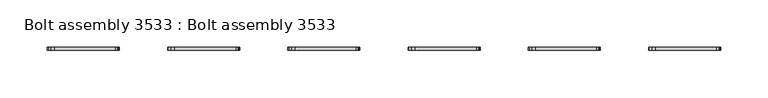
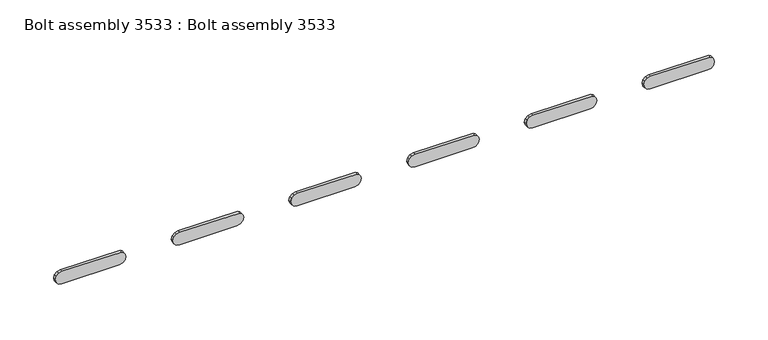
"""IFC4 building model written with IfcOpenShell, lengths in millimetres: proxy geometry, Bolt assembly 3533 : Bolt assembly 3533."""

from ifc_helpers import new_model, si_unit, frame, origin, place, context, project, spatial, polyline, outline, extrude, source, transform, mapped, element, save


def bolt_assembly_3533_bolt_assembly_3533_df643900(model_context):
    return source(origin(), model_context, "Body", "SweptSolid", [
        extrude(outline(polyline([(-70.2907284, 964.6561192), (-67.9727236, 963.1072779), (-66.4238823, 960.789273), (-65.8800015, 896.1450001), (-66.83725, 892.5725001), (-69.4525015, 889.9572486), (-73.0250015, 889.0000001), (-76.5975015, 889.9572486), (-79.212753, 892.5725001), (-80.1700015, 896.1450001), (-80.1700015, 958.0549999), (-79.212753, 961.6274999), (-76.5975015, 964.2427514), (-73.0250015, 965.1999999), (-70.2907284, 964.6561192)])), frame((0.0, 822.3249992, 0.0), z_axis=(0.0, 1.0, 0.0), x_axis=(0.0, 0.0, 1.0)), (0.0, 0.0, 1.0), 3.275),
        extrude(outline(polyline([(-70.2907284, 837.6561192), (-67.9727236, 836.1072779), (-66.4238823, 833.789273), (-65.8800015, 769.1450001), (-66.83725, 765.5725001), (-69.4525015, 762.9572486), (-73.0250015, 762.0000001), (-76.5975015, 762.9572486), (-79.212753, 765.5725001), (-80.1700015, 769.1450001), (-80.1700015, 831.0549999), (-79.212753, 834.6274999), (-76.5975015, 837.2427514), (-73.0250015, 838.1999999), (-70.2907284, 837.6561192)])), frame((0.0, 822.3249992, 0.0), z_axis=(0.0, 1.0, 0.0), x_axis=(0.0, 0.0, 1.0)), (0.0, 0.0, 1.0), 3.275),
        extrude(outline(polyline([(-70.2907284, 710.6561192), (-67.9727236, 709.1072779), (-66.4238823, 706.789273), (-65.8800015, 642.1450001), (-66.83725, 638.5725001), (-69.4525015, 635.9572486), (-73.0250015, 635.0000001), (-76.5975015, 635.9572486), (-79.212753, 638.5725001), (-80.1700015, 642.1450001), (-80.1700015, 704.0549999), (-79.212753, 707.6274999), (-76.5975015, 710.2427514), (-73.0250015, 711.1999999), (-70.2907284, 710.6561192)])), frame((0.0, 822.3249992, 0.0), z_axis=(0.0, 1.0, 0.0), x_axis=(0.0, 0.0, 1.0)), (0.0, 0.0, 1.0), 3.275),
        extrude(outline(polyline([(-70.2907284, 583.6561192), (-67.9727236, 582.1072779), (-66.4238823, 579.789273), (-65.8800015, 515.1450001), (-66.83725, 511.5725001), (-69.4525015, 508.9572486), (-73.0250015, 508.0000001), (-76.5975015, 508.9572486), (-79.212753, 511.5725001), (-80.1700015, 515.1450001), (-80.1700015, 577.0549999), (-79.212753, 580.6274999), (-76.5975015, 583.2427514), (-73.0250015, 584.1999999), (-70.2907284, 583.6561192)])), frame((0.0, 822.3249992, 0.0), z_axis=(0.0, 1.0, 0.0), x_axis=(0.0, 0.0, 1.0)), (0.0, 0.0, 1.0), 3.275),
        extrude(outline(polyline([(-70.2907284, 456.6561192), (-67.9727236, 455.1072779), (-66.4238823, 452.789273), (-65.8800015, 388.1450001), (-66.83725, 384.5725001), (-69.4525015, 381.9572486), (-73.0250015, 381.0000001), (-76.5975015, 381.9572486), (-79.212753, 384.5725001), (-80.1700015, 388.1450001), (-80.1700015, 450.0549999), (-79.212753, 453.6274999), (-76.5975015, 456.2427514), (-73.0250015, 457.1999999), (-70.2907284, 456.6561192)])), frame((0.0, 822.3249992, 0.0), z_axis=(0.0, 1.0, 0.0), x_axis=(0.0, 0.0, 1.0)), (0.0, 0.0, 1.0), 3.275),
        extrude(outline(polyline([(-70.2907284, 329.6561192), (-67.9727236, 328.1072779), (-66.4238823, 325.789273), (-65.8800015, 261.1450001), (-66.83725, 257.5725001), (-69.4525015, 254.9572486), (-73.0250015, 254.0000001), (-76.5975015, 254.9572486), (-79.212753, 257.5725001), (-80.1700015, 261.1450001), (-80.1700015, 323.0549999), (-79.212753, 326.6274999), (-76.5975015, 329.2427514), (-73.0250015, 330.1999999), (-70.2907284, 329.6561192)])), frame((0.0, 822.3249992, 0.0), z_axis=(0.0, 1.0, 0.0), x_axis=(0.0, 0.0, 1.0)), (0.0, 0.0, 1.0), 3.275),
    ])


if __name__ == "__main__":
    model = new_model("IFC4")
    model_context = context("Model", 3, world=origin())
    ifc_project = project(units=[si_unit("LENGTHUNIT", "METRE", prefix="MILLI")], contexts=[model_context])
    site = spatial("IfcSite", under=ifc_project)
    building = spatial("IfcBuilding", under=site)
    placement = place(None, origin())
    bolt_assembly_3533_bolt_assembly_3533_shape = bolt_assembly_3533_bolt_assembly_3533_df643900(model_context)
    element("IfcBuildingElementProxy", 1, Name="Bolt assembly 3533 : Bolt assembly 3533", ObjectType="Bolt assembly 3533 : Bolt assembly 3533", at=placement, inside=building, context=model_context, shape_type="MappedRepresentation", body=[
        mapped(bolt_assembly_3533_bolt_assembly_3533_shape, transform((0.0, 0.0, 0.0), x_axis=(1.0, 0.0, 0.0), y_axis=(0.0, 1.0, 0.0), z_axis=(0.0, 0.0, 1.0))),
    ])
    save(model, "model.ifc")
